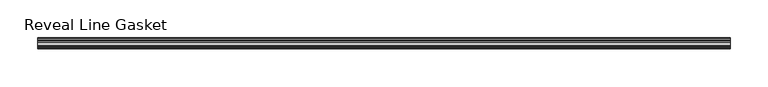
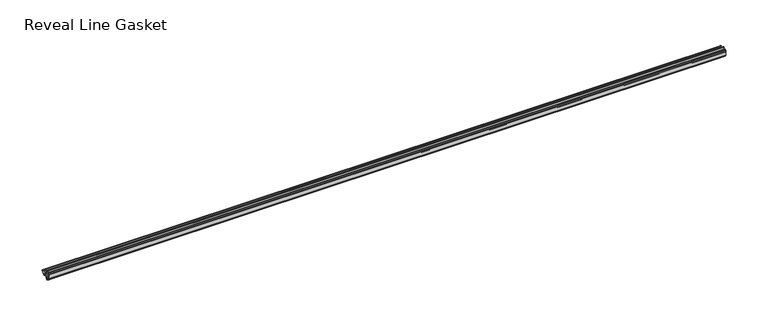
"""IFC4 building model written with IfcOpenShell, lengths in millimetres: furniture geometry, Reveal Line Gasket."""

from ifc_helpers import new_model, si_unit, point, frame, frame_2d, origin, place, context, project, spatial, polyline, circle_curve, trimmed, segment, composite_curve, outline, extrude, source, transform, mapped, element, save


def reveal_line_gasket_d722d258(model_context):
    return source(origin(), model_context, "Body", "SweptSolid", [
        extrude(outline(composite_curve([segment(polyline([(-7.6326998, 1603.2), (-7.4091917, 1604.1554927), (-6.8813059, 1605.0884684)]), True, "CONTINUOUS"), segment(trimmed(circle_curve(frame_2d((-6.5243141, 1604.8864793)), 0.4101739), [point((-6.8813059, 1605.0884684))], [point((-6.1246704, 1604.7941347))], False, "CARTESIAN"), True, "CONTINUOUS"), segment(polyline([(-6.1246704, 1604.7941347), (-6.3626997, 1603.0979086), (-6.3626997, 1601.0654527)]), True, "CONTINUOUS"), segment(trimmed(circle_curve(frame_2d((-5.6959605, 1601.4819258)), 0.786124), [point((-6.3626997, 1601.0654527))], [point((-5.0926996, 1600.977875))], True, "CARTESIAN"), True, "CONTINUOUS"), segment(polyline([(-5.0926996, 1600.977875), (-0.7492996, 1600.977875), (-3.7293824, 1606.1395295)]), True, "CONTINUOUS"), segment(trimmed(circle_curve(frame_2d((-3.3132479, 1606.2049761)), 0.4212495), [point((-3.7293824, 1606.1395295))], [point((-3.0485022, 1606.5326358))], False, "CARTESIAN"), True, "CONTINUOUS"), segment(polyline([(-3.0485022, 1606.5326358), (0.5742594, 1600.977875), (4.8262978, 1600.977875), (3.1660374, 1603.8535297)]), True, "CONTINUOUS"), segment(trimmed(circle_curve(frame_2d((3.5978728, 1603.9118855)), 0.4357605), [point((3.1660374, 1603.8535297))], [point((3.864328, 1604.2566881))], False, "CARTESIAN"), True, "CONTINUOUS"), segment(polyline([(3.864328, 1604.2566881), (6.1944059, 1600.977875), (7.6326998, 1600.977875), (7.6326998, 1599.422125), (6.1944059, 1599.422125), (3.864328, 1596.1433119)]), True, "CONTINUOUS"), segment(trimmed(circle_curve(frame_2d((3.5978728, 1596.4881145)), 0.4357605), [point((3.864328, 1596.1433119))], [point((3.1660374, 1596.5464703))], False, "CARTESIAN"), True, "CONTINUOUS"), segment(polyline([(3.1660374, 1596.5464703), (4.8262978, 1599.422125), (0.5742594, 1599.422125), (-3.0485022, 1593.8673642)]), True, "CONTINUOUS"), segment(trimmed(circle_curve(frame_2d((-3.3132479, 1594.1950239)), 0.4212495), [point((-3.0485022, 1593.8673642))], [point((-3.7293824, 1594.2604705))], False, "CARTESIAN"), True, "CONTINUOUS"), segment(polyline([(-3.7293824, 1594.2604705), (-0.7492996, 1599.422125), (-5.0926996, 1599.422125)]), True, "CONTINUOUS"), segment(trimmed(circle_curve(frame_2d((-5.6959605, 1598.9180742)), 0.786124), [point((-5.0926996, 1599.422125))], [point((-6.3626997, 1599.3345473))], True, "CARTESIAN"), True, "CONTINUOUS"), segment(polyline([(-6.3626997, 1599.3345473), (-6.3626997, 1597.3020914), (-6.1246704, 1595.6058653)]), True, "CONTINUOUS"), segment(trimmed(circle_curve(frame_2d((-6.5243141, 1595.5135207)), 0.4101739), [point((-6.1246704, 1595.6058653))], [point((-6.8813059, 1595.3115316))], False, "CARTESIAN"), True, "CONTINUOUS"), segment(polyline([(-6.8813059, 1595.3115316), (-7.4091917, 1596.2445073), (-7.6326998, 1597.2), (-7.6326998, 1603.2)]), True, "CONTINUOUS")], self_intersect=False)), frame((-461.6704, 0.0, 0.0), z_axis=(1.0, 0.0, 0.0), x_axis=(0.0, 1.0, 0.0)), (0.0, 0.0, 1.0), 923.3408),
    ])


if __name__ == "__main__":
    model = new_model("IFC4")
    model_context = context("Model", 3, world=origin())
    ifc_project = project(units=[si_unit("LENGTHUNIT", "METRE", prefix="MILLI")], contexts=[model_context])
    site = spatial("IfcSite", under=ifc_project)
    building = spatial("IfcBuilding", under=site)
    placement = place(None, origin())
    reveal_line_gasket_shape = reveal_line_gasket_d722d258(model_context)
    element("IfcFurniture", 1, ObjectType="Reveal Line Gasket", at=placement, inside=building, context=model_context, shape_type="MappedRepresentation", body=[
        mapped(reveal_line_gasket_shape, transform((0.0, 0.0, 0.0), x_axis=(1.0, 0.0, 0.0), y_axis=(0.0, 1.0, 0.0), z_axis=(0.0, 0.0, 1.0))),
    ])
    save(model, "model.ifc")
